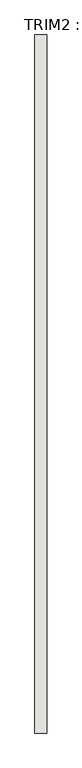
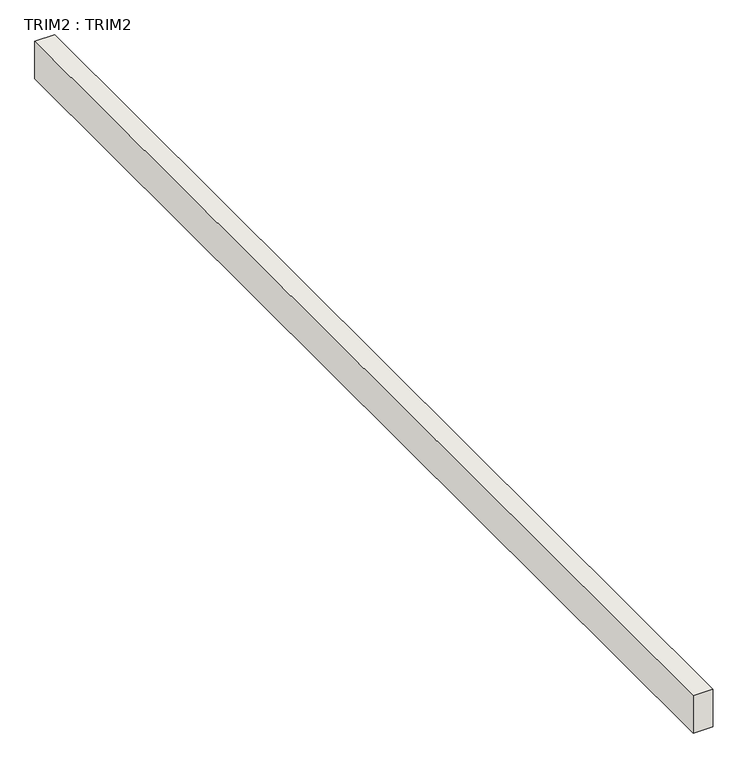
"""IFC4 building model written with IfcOpenShell, lengths in millimetres: wall geometry, TRIM2 : TRIM2."""

from ifc_helpers import new_model, si_unit, frame, origin, place, context, project, spatial, polyline, outline, extrude, source, transform, mapped, element, save


def trim2_trim2_506eaa57(model_context):
    return source(origin(), model_context, "Body", "SweptSolid", [
        extrude(outline(polyline([(-17186.6716415, 7402.4334141), (-17186.6716415, 10348.8334141), (-17135.8716415, 10348.8334141), (-17135.8716415, 7402.4334141), (-17186.6716415, 7402.4334141)])), frame((0.0, 0.0, 2522.3072481), z_axis=(0.0, 0.0, 1.0), x_axis=(1.0, 0.0, 0.0)), (0.0, 0.0, 1.0), 101.6),
    ])


if __name__ == "__main__":
    model = new_model("IFC4")
    model_context = context("Model", 3, world=origin())
    ifc_project = project(units=[si_unit("LENGTHUNIT", "METRE", prefix="MILLI")], contexts=[model_context])
    site = spatial("IfcSite", under=ifc_project)
    building = spatial("IfcBuilding", under=site)
    placement = place(None, origin())
    trim2_trim2_shape = trim2_trim2_506eaa57(model_context)
    element("IfcWall", 1, ObjectType="TRIM2 : TRIM2", at=placement, inside=building, context=model_context, shape_type="MappedRepresentation", body=[
        mapped(trim2_trim2_shape, transform((0.0, 0.0, 0.0), x_axis=(1.0, 0.0, 0.0), y_axis=(0.0, 1.0, 0.0), z_axis=(0.0, 0.0, 1.0))),
    ])
    save(model, "model.ifc")
